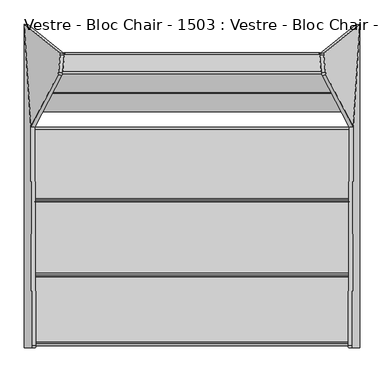
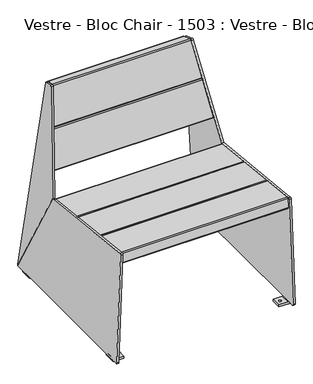
"""IFC4 building model written with IfcOpenShell, lengths in millimetres: furniture geometry, Vestre - Bloc Chair - 1503 : Vestre - Bloc Chair - 1503."""

from ifc_helpers import new_model, si_unit, point, frame, frame_2d, origin, place, context, project, spatial, polyline, circle_curve, ellipse_curve, trimmed, segment, composite_curve, outline, extrude, source, transform, mapped, element, save
from ifc_brep_helpers import plane_surface, cylinder_surface, revolved_surface, advanced_brep


def vestre_bloc_chair_1503_vestre_bloc_chair_1503_565fc78e(model_context):
    return source(origin(), model_context, "Body", "SolidModel", [
        advanced_brep(
        [(277.812223, 233.1863633, 787.1699382), (334.4133773, 124.8996282, 408.9101314), (348.3011371, 336.1005897, 11.2206695), (347.6364645, 337.9713039, 14.8944279), (272.9792097, 277.1577, 774.9426086), (272.9882182, 274.3357333, 778.4787482), (276.8301563, 238.1221055, 789.8133119), (269.9360053, 232.080936, 786.3078325), (268.9539386, 237.0166783, 788.9512062), (265.1120006, 273.230306, 777.6166426), (265.1029921, 276.0522727, 774.080503), (339.7602469, 336.8658767, 14.0323223), (340.4249195, 334.9951625, 10.3585639), (326.5371597, 123.794201, 408.0480257), (304.7208365, 204.7361248, 503.5754184), (267.0516475, 274.6488012, 758.0771287), (267.9636247, 266.3758239, 760.3532344), (305.6328137, 196.4631475, 505.8515241), (258.0066091, 204.6514703, 503.507711), (250.0753385, 206.4556344, 510.1111606), (213.9165488, 272.1297789, 749.187405), (221.8177729, 274.5668293, 758.0115669), (221.8294709, 266.2922205, 760.2863677), (213.9282468, 263.8551701, 751.4622058), (250.0870364, 198.1810256, 512.3859614), (258.0183071, 196.3768615, 505.7825119)],
        [
            (0, 1),
            (1, 2),
            (2, 3, circle_curve(frame((348.2186072, 334.025159, 14.6358678), z_axis=(0.9845272064646956, 0.13817840671662623, 0.10776320173453154), x_axis=(0.10809843818608318, 0.005098251508800461, -0.9941271224009949)), 3.9972244)),
            (3, 4),
            (4, 5, circle_curve(frame((273.5617566, 273.2088149, 774.683869), z_axis=(0.9845272064646956, 0.13817840671662623, 0.10776320173453154), x_axis=(0.10809843818608318, 0.005098251508800461, -0.9941271224009949)), 4.0)),
            (5, 6),
            (6, 0, circle_curve(frame((277.4036946, 236.9951872, 786.0184326), z_axis=(0.9845272064646956, 0.13817840671662623, 0.10776320173453154), x_axis=(0.10809843818608318, 0.005098251508800461, -0.9941271224009949)), 4.0)),
            (7, 8, circle_curve(frame((269.527477, 235.8897599, 785.156327), z_axis=(-0.9845272064646956, -0.13817840671662623, -0.10776320173453154), x_axis=(0.10809843818608318, 0.005098251508800461, -0.9941271224009949)), 4.0)),
            (8, 9),
            (9, 10, circle_curve(frame((265.6855389, 272.1033877, 773.8217633), z_axis=(-0.9845272064646956, -0.13817840671662623, -0.10776320173453154), x_axis=(0.10809843818608318, 0.005098251508800461, -0.9941271224009949)), 4.0)),
            (10, 11),
            (11, 12, circle_curve(frame((340.3423895, 332.9197317, 13.7737622), z_axis=(-0.9845272064646956, -0.13817840671662623, -0.10776320173453154), x_axis=(0.10809843818608318, 0.005098251508800461, -0.9941271224009949)), 3.9972244)),
            (12, 13),
            (13, 7),
            (14, 15),
            (15, 16),
            (16, 17),
            (17, 14),
            (6, 8),
            (7, 0),
            (5, 9),
            (4, 10),
            (3, 11),
            (2, 12),
            (1, 13),
            (18, 19, circle_curve(frame((257.9915858, 206.7720776, 511.2215168), z_axis=(-0.0013631459484884298, 0.9642258427672697, -0.2650786033856215), x_axis=(-0.14431455675225055, 0.26211427827888567, 0.9541852093968657)), 8.0)),
            (19, 20),
            (20, 21, circle_curve(frame((221.8327962, 272.446222, 750.2977612), z_axis=(-0.0013631459484884298, 0.9642258427672697, -0.2650786033856215), x_axis=(-0.14431455675225055, 0.26211427827888567, 0.9541852093968657)), 8.0)),
            (21, 15),
            (14, 18),
            (22, 23, circle_curve(frame((221.8444942, 264.1716132, 752.572562), z_axis=(0.0013631459484884298, -0.9642258427672697, 0.2650786033856215), x_axis=(-0.14431455675225055, 0.26211427827888567, 0.9541852093968657)), 8.0)),
            (23, 24),
            (24, 25, circle_curve(frame((258.0032838, 198.4974688, 513.4963176), z_axis=(0.0013631459484884298, -0.9642258427672697, 0.2650786033856215), x_axis=(-0.14431455675225055, 0.26211427827888567, 0.9541852093968657)), 8.0)),
            (25, 17),
            (16, 22),
            (20, 23),
            (22, 21),
            (19, 24),
            (18, 25),
        ],
        [
            plane_surface(frame((334.1389557, 125.4246391, 410.7440634), z_axis=(0.9845272064646957, 0.13817840671662623, 0.10776320173453155), x_axis=(0.14239106626947698, -0.27241606364865883, -0.9515851367653928))),
            plane_surface(frame((326.2627381, 124.3192118, 409.8819577), z_axis=(-0.9845272064646957, -0.13817840671662623, -0.10776320173453155), x_axis=(-0.14239106626947698, 0.27241606364865883, 0.9515851367653928))),
            cylinder_surface(frame((269.527477, 235.8897599, 785.156327), z_axis=(0.9845272064646956, 0.13817840671662623, 0.10776320173453154), x_axis=(0.10809843818608318, 0.005098251508800461, -0.9941271224009949)), 4.0),
            plane_surface(frame((272.9882182, 274.3357333, 778.4787482), z_axis=(-0.14338459124458777, 0.2817295884036646, 0.9487198206064446), x_axis=(-0.9845272064646944, -0.13817840671663073, -0.10776320173453648))),
            cylinder_surface(frame((265.6855389, 272.1033877, 773.8217633), z_axis=(0.9845272064646956, 0.13817840671662623, 0.10776320173453154), x_axis=(0.10809843818608318, 0.005098251508800461, -0.9941271224009949)), 4.0),
            plane_surface(frame((347.6364645, 337.9713039, 14.8944279), z_axis=(-0.1456367196942421, 0.9872212562883769, 0.06468490557386648), x_axis=(-0.9845272064646954, -0.13817840671663084, -0.10776320173452812))),
            cylinder_surface(frame((340.3423895, 332.9197317, 13.7737622), z_axis=(0.9845272064646956, 0.13817840671662623, 0.10776320173453154), x_axis=(0.10809843818608318, 0.005098251508800461, -0.9941271224009949)), 3.9972244),
            plane_surface(frame((334.4133773, 124.8996282, 408.9101314), z_axis=(0.17249891043919782, -0.8724250405319157, -0.4572949535586141), x_axis=(-0.9845272064646959, -0.1381784067166267, -0.10776320173452819))),
            plane_surface(frame((277.812223, 233.1863633, 787.1699382), z_axis=(0.10213209083077078, -0.9522059736125497, 0.287876396807921), x_axis=(-0.9845272064646969, -0.13817840671662626, -0.10776320173451938))),
            plane_surface(frame((270.8123981, 274.6556164, 758.0825795), z_axis=(-0.00136314594848843, 0.9642258427672699, -0.26507860338562156), x_axis=(0.9999973076401405, 0.0018121741131798574, 0.001449392098063703))),
            plane_surface(frame((270.8240961, 266.3810076, 760.3573804), z_axis=(0.00136314594848843, -0.9642258427672699, 0.26507860338562156), x_axis=(-0.9999973076401405, -0.0018121741131798574, -0.001449392098063703))),
            cylinder_surface(frame((221.8444942, 264.1716132, 752.572562), z_axis=(-0.0013631459484884298, 0.9642258427672697, -0.2650786033856215), x_axis=(-0.14431455675225055, 0.26211427827888567, 0.9541852093968657)), 8.0),
            plane_surface(frame((250.0753385, 206.4556344, 510.1111606), z_axis=(-0.9895309245003534, -0.0395553948543967, -0.13879452509154894), x_axis=(0.0013631459484865413, -0.9642258427672704, 0.2650786033856188))),
            cylinder_surface(frame((258.0032838, 198.4974688, 513.4963176), z_axis=(-0.0013631459484884298, 0.9642258427672697, -0.2650786033856215), x_axis=(-0.14431455675225055, 0.26211427827888567, 0.9541852093968657)), 8.0),
            plane_surface(frame((308.4196267, 204.7428277, 503.5807795), z_axis=(0.0018779099002744284, -0.26507591396566116, -0.964225716982116), x_axis=(0.0013631459484865413, -0.9642258427672704, 0.2650786033856188))),
            plane_surface(frame((221.8177729, 274.5668293, 758.0115669), z_axis=(-0.0018779099002689853, 0.26507591396566116, 0.9642257169821161), x_axis=(0.0013631459484865413, -0.9642258427672704, 0.2650786033856188))),
        ],
        [
            (0, [[1, 2, 3, 4, 5, 6, 7]]),
            (1, [[8, 9, 10, 11, 12, 13, 14], [15, 16, 17, 18]]),
            (2, [[-7, 19, -8, 20]]),
            (3, [[-6, 21, -9, -19]]),
            (4, [[-5, 22, -10, -21]]),
            (5, [[-4, 23, -11, -22]]),
            (6, [[-3, 24, -12, -23]]),
            (7, [[-2, 25, -13, -24]]),
            (8, [[-1, -20, -14, -25]]),
            (9, [[26, 27, 28, 29, -15, 30]]),
            (10, [[31, 32, 33, 34, -17, 35]]),
            (11, [[-28, 36, -31, 37]]),
            (12, [[-27, 38, -32, -36]]),
            (13, [[-26, 39, -33, -38]]),
            (14, [[-39, -30, -18, -34]]),
            (15, [[-37, -35, -16, -29]]),
        ],
    ),
        advanced_brep(
        [(-286.2389029, 235.3959136, 633.1135675), (-285.2426333, 240.3126213, 635.9111054), (285.2426333, 240.3126213, 635.9111054), (286.2389029, 235.3959136, 633.1135675), (-264.6903678, 278.4569523, 774.7668691), (264.6903678, 278.4569523, 774.7668691), (-264.5448362, 275.659435, 779.6835409), (264.5448362, 275.659435, 779.6835409), (-268.4794482, 239.9813274, 789.4847667), (268.4794482, 239.9813274, 789.4847667), (-269.4757178, 235.0646195, 786.687229), (269.4757178, 235.0646195, 786.687229), (-290.0279845, 196.9202802, 647.8314655), (290.0279845, 196.9202802, 647.8314655), (-290.1735161, 199.7177976, 642.9147935), (290.1735161, 199.7177976, 642.9147935)],
        [
            (0, 1, ellipse_curve(frame((-285.6680023, 236.4555087, 636.9706724), z_axis=(0.9845272064646965, -0.13817840671662357, -0.10776320173452719), x_axis=(0.17523178858534993, 0.7763454442639467, 0.6054598016712543)), 4.0628639, 4.0)),
            (1, 2),
            (2, 3, ellipse_curve(frame((285.6680023, 236.4555087, 636.9706724), z_axis=(-0.9845272064646964, -0.13817840671662365, -0.10776320173452711), x_axis=(0.17523178858535113, -0.7763454442639469, -0.6054598016712536)), 4.0628639, 4.0)),
            (3, 0),
            (1, 4),
            (4, 5),
            (5, 2),
            (4, 6, ellipse_curve(frame((-265.1157368, 274.5998397, 775.8264361), z_axis=(0.9845272064646965, -0.13817840671662357, -0.10776320173452719), x_axis=(0.17523178858534993, 0.7763454442639467, 0.6054598016712543)), 4.0628639, 4.0)),
            (6, 7),
            (7, 5, ellipse_curve(frame((265.1157368, 274.5998397, 775.8264361), z_axis=(-0.9845272064646964, -0.13817840671662365, -0.10776320173452711), x_axis=(0.17523178858535113, -0.7763454442639469, -0.6054598016712536)), 4.0628639, 4.0)),
            (6, 8),
            (8, 9),
            (9, 7),
            (8, 10, ellipse_curve(frame((-269.0503488, 238.921732, 785.6276619), z_axis=(0.9845272064646965, -0.13817840671662357, -0.10776320173452719), x_axis=(0.17523178858534993, 0.7763454442639467, 0.6054598016712543)), 4.0628639, 4.0)),
            (10, 11),
            (11, 9, ellipse_curve(frame((269.0503488, 238.921732, 785.6276619), z_axis=(-0.9845272064646964, -0.13817840671662365, -0.10776320173452711), x_axis=(0.17523178858535113, -0.7763454442639469, -0.6054598016712536)), 4.0628639, 4.0)),
            (10, 12),
            (12, 13),
            (13, 11),
            (12, 14, ellipse_curve(frame((-289.6026155, 200.7773927, 646.7718984), z_axis=(0.9845272064646965, -0.13817840671662357, -0.10776320173452719), x_axis=(0.17523178858534993, 0.7763454442639467, 0.6054598016712543)), 4.0628639, 4.0)),
            (14, 15),
            (15, 13, ellipse_curve(frame((289.6026155, 200.7773927, 646.7718984), z_axis=(-0.9845272064646964, -0.13817840671662365, -0.10776320173452711), x_axis=(0.17523178858535113, -0.7763454442639469, -0.6054598016712536)), 4.0628639, 4.0)),
            (14, 0),
            (3, 15),
        ],
        [
            cylinder_surface(frame((-292.5949679, 236.4555087, 636.9706724), z_axis=(1.0, 0.0, 0.0), x_axis=(0.0, -1.0, 0.0)), 4.0),
            plane_surface(frame((291.5493151, 240.3126213, 635.9111054), z_axis=(0.0, 0.9642781573688652, -0.2648917424558682), x_axis=(-1.0, 0.0, 0.0))),
            cylinder_surface(frame((-292.5949679, 274.5998397, 775.8264361), z_axis=(1.0, 0.0, 0.0), x_axis=(0.0, -1.0, 0.0)), 4.0),
            plane_surface(frame((291.5493151, 275.659435, 779.6835409), z_axis=(0.0, 0.26489882655000385, 0.9642762113069216), x_axis=(-1.0, 0.0, 0.0))),
            cylinder_surface(frame((-292.5949679, 238.921732, 785.6276619), z_axis=(1.0, 0.0, 0.0), x_axis=(0.0, -1.0, 0.0)), 4.0),
            plane_surface(frame((291.5493151, 235.0646195, 786.687229), z_axis=(0.0, -0.9642781425237718, 0.2648917964960497), x_axis=(-1.0, 0.0, 0.0))),
            cylinder_surface(frame((-292.5949679, 200.7773927, 646.7718984), z_axis=(1.0, 0.0, 0.0), x_axis=(0.0, -1.0, 0.0)), 4.0),
            plane_surface(frame((291.5493151, 199.7177976, 642.9147935), z_axis=(0.0, -0.2648987750760463, -0.9642762254474649), x_axis=(-1.0, 0.0, 0.0))),
            plane_surface(frame((-259.754826, 301.2991797, 790.568855), z_axis=(-0.9845272064646965, 0.13817840671662357, 0.10776320173452719), x_axis=(-0.1021320908307662, -0.9522059736125505, 0.28787639680791977))),
            plane_surface(frame((307.4464437, 210.0577619, 471.8505833), z_axis=(0.9845272064646966, 0.13817840671662368, 0.10776320173452714), x_axis=(0.10213209083076619, -0.9522059736125503, 0.28787639680792065))),
        ],
        [
            (0, [[1, 2, 3, 4]]),
            (1, [[5, 6, 7, -2]]),
            (2, [[8, 9, 10, -6]]),
            (3, [[11, 12, 13, -9]]),
            (4, [[14, 15, 16, -12]]),
            (5, [[17, 18, 19, -15]]),
            (6, [[20, 21, 22, -18]]),
            (7, [[23, -4, 24, -21]]),
            (8, [[-1, -23, -20, -17, -14, -11, -8, -5]]),
            (9, [[-3, -7, -10, -13, -16, -19, -22, -24]]),
        ],
    ),
        advanced_brep(
        [(-307.9329574, 195.1325032, 486.5435624), (-306.9366879, 200.049211, 489.3411004), (306.9366879, 200.049211, 489.3411004), (307.9329574, 195.1325032, 486.5435624), (-286.3844223, 238.193542, 628.1968641), (286.3844223, 238.193542, 628.1968641), (-286.2388907, 235.3960246, 633.1135359), (286.2388907, 235.3960246, 633.1135359), (-290.1735027, 199.7179173, 642.9147616), (290.1735027, 199.7179173, 642.9147616), (-291.1697723, 194.8012094, 640.1172239), (291.1697723, 194.8012094, 640.1172239), (-311.722039, 156.6568701, 501.2614604), (311.722039, 156.6568701, 501.2614604), (-311.8675706, 159.4543876, 496.3447884), (311.8675706, 159.4543876, 496.3447884)],
        [
            (0, 1, ellipse_curve(frame((-307.3620568, 196.1920983, 490.4006673), z_axis=(0.9845272064646965, -0.13817840671662357, -0.10776320173452719), x_axis=(0.17523178858534993, 0.7763454442639467, 0.6054598016712543)), 4.0628639, 4.0)),
            (1, 2),
            (2, 3, ellipse_curve(frame((307.3620568, 196.1920983, 490.4006673), z_axis=(-0.9845272064646964, -0.13817840671662365, -0.10776320173452711), x_axis=(0.17523178858535113, -0.7763454442639469, -0.6054598016712536)), 4.0628639, 4.0)),
            (3, 0),
            (1, 4),
            (4, 5),
            (5, 2),
            (4, 6, ellipse_curve(frame((-286.8097913, 234.3364293, 629.2564311), z_axis=(0.9845272064646965, -0.13817840671662357, -0.10776320173452719), x_axis=(0.17523178858534993, 0.7763454442639467, 0.6054598016712543)), 4.0628639, 4.0)),
            (6, 7),
            (7, 5, ellipse_curve(frame((286.8097913, 234.3364293, 629.2564311), z_axis=(-0.9845272064646964, -0.13817840671662365, -0.10776320173452711), x_axis=(0.17523178858535113, -0.7763454442639469, -0.6054598016712536)), 4.0628639, 4.0)),
            (6, 8),
            (8, 9),
            (9, 7),
            (8, 10, ellipse_curve(frame((-290.7444033, 198.658322, 639.0576568), z_axis=(0.9845272064646965, -0.13817840671662357, -0.10776320173452719), x_axis=(0.17523178858534993, 0.7763454442639467, 0.6054598016712543)), 4.0628639, 4.0)),
            (10, 11),
            (11, 9, ellipse_curve(frame((290.7444033, 198.658322, 639.0576568), z_axis=(-0.9845272064646964, -0.13817840671662365, -0.10776320173452711), x_axis=(0.17523178858535113, -0.7763454442639469, -0.6054598016712536)), 4.0628639, 4.0)),
            (10, 12),
            (12, 13),
            (13, 11),
            (12, 14, ellipse_curve(frame((-311.29667, 160.5139827, 500.2018933), z_axis=(0.9845272064646965, -0.13817840671662357, -0.10776320173452719), x_axis=(0.17523178858534993, 0.7763454442639467, 0.6054598016712543)), 4.0628639, 4.0)),
            (14, 15),
            (15, 13, ellipse_curve(frame((311.29667, 160.5139827, 500.2018933), z_axis=(-0.9845272064646964, -0.13817840671662365, -0.10776320173452711), x_axis=(0.17523178858535113, -0.7763454442639469, -0.6054598016712536)), 4.0628639, 4.0)),
            (14, 0),
            (3, 15),
        ],
        [
            cylinder_surface(frame((-316.3937747, 196.1920983, 490.4006673), z_axis=(1.0, 0.0, 0.0), x_axis=(0.0, -1.0, 0.0)), 4.0),
            plane_surface(frame((315.586121, 200.049211, 489.3411004), z_axis=(0.0, 0.9642781573688652, -0.2648917424558684), x_axis=(-1.0, 0.0, 0.0))),
            cylinder_surface(frame((-316.3937747, 234.3364293, 629.2564311), z_axis=(1.0, 0.0, 0.0), x_axis=(0.0, -1.0, 0.0)), 4.0),
            plane_surface(frame((315.586121, 235.3960246, 633.1135359), z_axis=(0.0, 0.26489882655000724, 0.9642762113069208), x_axis=(-1.0, 0.0, 0.0))),
            cylinder_surface(frame((-316.3937747, 198.658322, 639.0576568), z_axis=(1.0, 0.0, 0.0), x_axis=(0.0, -1.0, 0.0)), 4.0),
            plane_surface(frame((315.586121, 194.8012094, 640.1172239), z_axis=(0.0, -0.9642781425237719, 0.26489179649604944), x_axis=(-1.0, 0.0, 0.0))),
            cylinder_surface(frame((-316.3937747, 160.5139827, 500.2018933), z_axis=(1.0, 0.0, 0.0), x_axis=(0.0, -1.0, 0.0)), 4.0),
            plane_surface(frame((315.586121, 159.4543876, 496.3447884), z_axis=(0.0, -0.2648987750760446, -0.9642762254474654), x_axis=(-1.0, 0.0, 0.0))),
            plane_surface(frame((-259.754826, 301.2991797, 790.568855), z_axis=(-0.9845272064646965, 0.13817840671662357, 0.10776320173452719), x_axis=(-0.1021320908307662, -0.9522059736125505, 0.28787639680791977))),
            plane_surface(frame((307.4464437, 210.0577619, 471.8505833), z_axis=(0.9845272064646966, 0.13817840671662368, 0.10776320173452714), x_axis=(0.10213209083076619, -0.9522059736125503, 0.28787639680792065))),
        ],
        [
            (0, [[1, 2, 3, 4]]),
            (1, [[5, 6, 7, -2]]),
            (2, [[8, 9, 10, -6]]),
            (3, [[11, 12, 13, -9]]),
            (4, [[14, 15, 16, -12]]),
            (5, [[17, 18, 19, -15]]),
            (6, [[20, 21, 22, -18]]),
            (7, [[23, -4, 24, -21]]),
            (8, [[-1, -23, -20, -17, -14, -11, -8, -5]]),
            (9, [[-3, -7, -10, -13, -16, -19, -22, -24]]),
        ],
    ),
        advanced_brep(
        [(339.2271593, -303.3438949, 8.0), (302.5834716, -303.3438949, 8.0), (302.5834716, -303.3438949, 0.0), (340.2871278, -303.3438949, 0.0), (348.2247269, -303.3438949, 8.2703475), (348.2247269, -303.3438949, 10.2731042), (340.2296003, -303.3438949, 9.9939083), (340.2618144, -303.3438949, 9.0714168), (339.2271593, -263.3438949, 8.0), (340.2618144, -263.3438949, 9.0714168), (340.2296003, -263.3438949, 9.9939083), (348.2247269, -263.3438949, 10.2731042), (348.2247269, -263.3438949, 8.2703475), (340.2871278, -263.3438949, 0.0), (302.5834716, -263.3438949, 0.0), (302.5834716, -263.3438949, 8.0), (340.2296003, -329.3438949, 9.9939083), (340.0900023, -333.3438949, 13.9914716), (324.7188298, -333.3438949, 454.1642618), (324.5800563, -328.9097929, 458.1382142), (326.3092725, 124.9540587, 408.6199423), (340.1918549, 336.0793859, 11.0747965), (340.2296003, 333.3438949, 9.9939083), (340.2296003, 303.3438949, 9.9939083), (340.2618144, 303.3438949, 9.0714168), (340.2618144, 263.3438949, 9.0714168), (340.2296003, 263.3438949, 9.9939083), (313.0057068, -283.459021, 0.0), (321.9161822, -283.459021, 0.0), (321.9161822, -283.459021, 8.0), (313.0057068, -283.459021, 8.0), (339.2271593, 303.3438949, 8.0), (348.2247269, 303.3438949, 10.2731042), (348.2247269, 303.3438949, 8.2703475), (340.2871278, 303.3438949, 0.0), (302.5834716, 303.3438949, 0.0), (302.5834716, 303.3438949, 8.0), (339.2271593, 263.3438949, 8.0), (302.5834716, 263.3438949, 8.0), (302.5834716, 263.3438949, 0.0), (340.2871278, 263.3438949, 0.0), (348.2247269, 263.3438949, 8.2703475), (348.2247269, 263.3438949, 10.2731042), (321.9161822, 283.459021, 0.0), (313.0057068, 283.459021, 0.0), (313.0057068, 283.459021, 8.0), (321.9161822, 283.459021, 8.0), (334.3043991, 124.9540587, 408.8991383), (332.5751829, -328.9097929, 458.4174101), (332.7139564, -333.3438949, 454.4434578), (348.0851289, -333.3438949, 14.2706676), (348.2247269, -329.3438949, 10.2731042), (348.2247269, 333.3438949, 10.2731042), (348.1869815, 336.0793859, 11.3539925)],
        [
            (0, 1),
            (1, 2),
            (2, 3),
            (3, 4, circle_curve(frame((339.9474049, -303.3438949, 8.2703475), z_axis=(0.0, -1.0, 0.0), x_axis=(-1.0, 0.0, 0.0)), 8.277322)),
            (4, 5),
            (5, 6),
            (6, 7),
            (7, 0, circle_curve(frame((339.2271593, -303.3438949, 9.0352858), z_axis=(0.0, 1.0, 0.0), x_axis=(-1.0, 0.0, 0.0)), 1.0352858)),
            (8, 9, circle_curve(frame((339.2271593, -263.3438949, 9.0352858), z_axis=(0.0, -1.0, 0.0), x_axis=(-1.0, 0.0, 0.0)), 1.0352858)),
            (9, 10),
            (10, 11),
            (11, 12),
            (12, 13, circle_curve(frame((339.9474049, -263.3438949, 8.2703475), z_axis=(0.0, 1.0, 0.0), x_axis=(-1.0, 0.0, 0.0)), 8.277322)),
            (13, 14),
            (14, 15),
            (15, 8),
            (7, 9),
            (8, 0),
            (6, 16),
            (16, 17, circle_curve(frame((340.0900023, -329.3438949, 13.9914716), z_axis=(-0.9993908270190959, 0.0, -0.0348994967025008), x_axis=(0.0348994967025008, 0.0, -0.9993908270190959)), 4.0)),
            (17, 18),
            (18, 19, circle_curve(frame((324.7188298, -329.3438949, 454.1642618), z_axis=(-0.9993908270190959, 0.0, -0.0348994967025008), x_axis=(0.0348994967025008, 0.0, -0.9993908270190959)), 4.0)),
            (19, 20),
            (20, 21),
            (21, 22, circle_curve(frame((340.0899978, 333.3438949, 13.9916002), z_axis=(-0.9993908270190959, 0.0, -0.0348994967025008), x_axis=(0.0348994967025008, 0.0, -0.9993908270190959)), 4.0001287)),
            (22, 23),
            (23, 24),
            (24, 25),
            (25, 26),
            (26, 10),
            (2, 14),
            (13, 3),
            (27, 28, circle_curve(frame((317.4609445, -283.459021, 0.0), z_axis=(0.0, 0.0, 1.0), x_axis=(-1.0, 0.0, 0.0)), 4.4552377)),
            (28, 27, circle_curve(frame((317.4609445, -283.459021, 0.0), z_axis=(0.0, 0.0, 1.0), x_axis=(-1.0, 0.0, 0.0)), 4.4552377)),
            (1, 15),
            (29, 30, circle_curve(frame((317.4609445, -283.459021, 8.0), z_axis=(0.0, 0.0, -1.0), x_axis=(-1.0, 0.0, 0.0)), 4.4552377)),
            (30, 29, circle_curve(frame((317.4609445, -283.459021, 8.0), z_axis=(0.0, 0.0, -1.0), x_axis=(-1.0, 0.0, 0.0)), 4.4552377)),
            (4, 12),
            (11, 5),
            (29, 28),
            (27, 30),
            (31, 24, circle_curve(frame((339.2271593, 303.3438949, 9.0352858), z_axis=(0.0, -1.0, 0.0), x_axis=(-1.0, 0.0, 0.0)), 1.0352858)),
            (23, 32),
            (32, 33),
            (33, 34, circle_curve(frame((339.9474049, 303.3438949, 8.2703475), z_axis=(0.0, 1.0, 0.0), x_axis=(-1.0, 0.0, 0.0)), 8.277322)),
            (34, 35),
            (35, 36),
            (36, 31),
            (37, 38),
            (38, 39),
            (39, 40),
            (40, 41, circle_curve(frame((339.9474049, 263.3438949, 8.2703475), z_axis=(0.0, -1.0, 0.0), x_axis=(-1.0, 0.0, 0.0)), 8.277322)),
            (41, 42),
            (42, 26),
            (25, 37, circle_curve(frame((339.2271593, 263.3438949, 9.0352858), z_axis=(0.0, 1.0, 0.0), x_axis=(-1.0, 0.0, 0.0)), 1.0352858)),
            (31, 37),
            (34, 40),
            (39, 35),
            (43, 44, circle_curve(frame((317.4609445, 283.459021, 0.0), z_axis=(0.0, 0.0, 1.0), x_axis=(-1.0, 0.0, 0.0)), 4.4552377)),
            (44, 43, circle_curve(frame((317.4609445, 283.459021, 0.0), z_axis=(0.0, 0.0, 1.0), x_axis=(-1.0, 0.0, 0.0)), 4.4552377)),
            (38, 36),
            (45, 46, circle_curve(frame((317.4609445, 283.459021, 8.0), z_axis=(0.0, 0.0, -1.0), x_axis=(-1.0, 0.0, 0.0)), 4.4552377)),
            (46, 45, circle_curve(frame((317.4609445, 283.459021, 8.0), z_axis=(0.0, 0.0, -1.0), x_axis=(-1.0, 0.0, 0.0)), 4.4552377)),
            (32, 42),
            (41, 33),
            (45, 44),
            (43, 46),
            (47, 48),
            (48, 49, circle_curve(frame((332.7139564, -329.3438949, 454.4434578), z_axis=(0.9993908270190959, 0.0, 0.0348994967025008), x_axis=(0.0348994967025008, 0.0, -0.9993908270190959)), 4.0)),
            (49, 50),
            (50, 51, circle_curve(frame((348.0851289, -329.3438949, 14.2706676), z_axis=(0.9993908270190959, 0.0, 0.0348994967025008), x_axis=(0.0348994967025008, 0.0, -0.9993908270190959)), 4.0)),
            (51, 5),
            (11, 42),
            (32, 52),
            (52, 53, circle_curve(frame((348.0851244, 333.3438949, 14.2707962), z_axis=(0.9993908270190959, 0.0, 0.0348994967025008), x_axis=(0.0348994967025008, 0.0, -0.9993908270190959)), 4.0001287)),
            (53, 47),
            (53, 21),
            (20, 47),
            (52, 22),
            (51, 16),
            (50, 17),
            (49, 18),
            (48, 19),
        ],
        [
            plane_surface(frame((302.5834716, -303.3438949, 8.0), z_axis=(0.0, -1.0, 0.0), x_axis=(-1.0, 0.0, 0.0))),
            plane_surface(frame((302.5834716, -263.3438949, 8.0), z_axis=(0.0, 1.0, 0.0), x_axis=(1.0, 0.0, 0.0))),
            revolved_surface(polyline([(338.1918735, -263.3438949, 9.0352858), (338.1918735, -303.3438949, 9.0352858)]), (339.2271593, -263.3438949, 9.0352858), (0.0, 1.0, 0.0)),
            plane_surface(frame((340.2296003, -303.3438949, 9.9939083), z_axis=(-0.9993908270190954, 0.0, -0.03489949670251134), x_axis=(0.0, 1.0, 0.0))),
            plane_surface(frame((302.5834716, -303.3438949, 0.0), z_axis=(0.0, 0.0, -1.0), x_axis=(0.0, 1.0, 0.0))),
            plane_surface(frame((302.5834716, -303.3438949, 8.0), z_axis=(-1.0, 0.0, 0.0), x_axis=(0.0, 1.0, 0.0))),
            plane_surface(frame((339.2271593, -303.3438949, 8.0), z_axis=(0.0, 0.0, 1.0), x_axis=(0.0, 1.0, 0.0))),
            plane_surface(frame((348.2247269, -303.3438949, 8.2703475), z_axis=(1.0, 0.0, 0.0), x_axis=(0.0, 1.0, 0.0))),
            cylinder_surface(frame((339.9474049, -263.3438949, 8.2703475), z_axis=(0.0, -1.0, 0.0), x_axis=(-1.0, 0.0, 0.0)), 8.277322),
            revolved_surface(polyline([(313.0057068, -283.459021, 8.0), (313.0057068, -283.459021, 0.0)]), (317.4609445, -283.459021, 0.0), (0.0, 0.0, 1.0)),
            plane_surface(frame((338.1918735, 303.3438949, 9.0352858), z_axis=(0.0, 1.0, 0.0), x_axis=(0.0, 0.0, -1.0))),
            plane_surface(frame((338.1918735, 263.3438949, 9.0352858), z_axis=(0.0, -1.0, 0.0), x_axis=(0.0, 0.0, 1.0))),
            revolved_surface(polyline([(338.1918735, 263.3438949, 9.0352858), (338.1918735, 303.3438949, 9.0352858)]), (339.2271593, 263.3438949, 9.0352858), (0.0, -1.0, 0.0)),
            plane_surface(frame((340.2871278, 303.3438949, 0.0), z_axis=(0.0, 0.0, -1.0), x_axis=(0.0, -1.0, 0.0))),
            plane_surface(frame((302.5834716, 303.3438949, 0.0), z_axis=(-1.0, 0.0, 0.0), x_axis=(0.0, -1.0, 0.0))),
            plane_surface(frame((302.5834716, 303.3438949, 8.0), z_axis=(0.0, 0.0, 1.0), x_axis=(0.0, -1.0, 0.0))),
            plane_surface(frame((348.2247269, 303.3438949, 10.2731042), z_axis=(1.0, 0.0, 0.0), x_axis=(0.0, -1.0, 0.0))),
            cylinder_surface(frame((339.9474049, 263.3438949, 8.2703475), z_axis=(0.0, 1.0, 0.0), x_axis=(-1.0, 0.0, 0.0)), 8.277322),
            revolved_surface(polyline([(313.0057068, 283.459021, 8.0), (313.0057068, 283.459021, 0.0)]), (317.4609445, 283.459021, 0.0), (0.0, 0.0, 1.0)),
            plane_surface(frame((332.5747314, -329.0282995, 458.4303396), z_axis=(0.9993908270190958, 0.0, 0.0348994967025008), x_axis=(-0.0037874856514230216, -0.9940936645240769, 0.10845939841955879))),
            plane_surface(frame((348.1869815, 336.0793859, 11.3539925), z_axis=(-0.016361236819827492, 0.883298976901068, 0.46852452159439023), x_axis=(-0.9993908270190959, 0.0, -0.03489949670249758))),
            cylinder_surface(frame((340.0899978, 333.3438949, 13.9916002), z_axis=(0.9993908270190959, 0.0, 0.0348994967025008), x_axis=(0.0348994967025008, 0.0, -0.9993908270190959)), 4.0001287),
            plane_surface(frame((348.2247269, -329.3438949, 10.2731042), z_axis=(0.034899496702506035, 0.0, -0.9993908270190955), x_axis=(-0.9993908270190955, 0.0, -0.034899496702506035))),
            cylinder_surface(frame((340.0900023, -329.3438949, 13.9914716), z_axis=(0.9993908270190959, 0.0, 0.0348994967025008), x_axis=(0.0348994967025008, 0.0, -0.9993908270190959)), 4.0),
            plane_surface(frame((332.7139564, -333.3438949, 454.4434578), z_axis=(0.0, -1.0, 0.0), x_axis=(-0.9993908270190959, 0.0, -0.03489949670249758))),
            cylinder_surface(frame((324.7188298, -329.3438949, 454.1642618), z_axis=(0.9993908270190959, 0.0, 0.0348994967025008), x_axis=(0.0348994967025008, 0.0, -0.9993908270190959)), 4.0),
            plane_surface(frame((334.3043991, 124.9540587, 408.8991383), z_axis=(-0.03469336856704016, 0.10852550922751907, 0.9934880895231604), x_axis=(-0.9993908270190955, 0.0, -0.034899496702506035))),
        ],
        [
            (0, [[1, 2, 3, 4, 5, 6, 7, 8]]),
            (1, [[9, 10, 11, 12, 13, 14, 15, 16]]),
            (2, [[-8, 17, -9, 18]]),
            (3, [[-7, 19, 20, 21, 22, 23, 24, 25, 26, 27, 28, 29, 30, -10, -17]]),
            (4, [[-3, 31, -14, 32], [33, 34]]),
            (5, [[-2, 35, -15, -31]]),
            (6, [[-1, -18, -16, -35], [36, 37]]),
            (7, [[-5, 38, -12, 39]]),
            (8, [[-4, -32, -13, -38]]),
            (9, [[40, -33, 41, -36]]),
            (9, [[-40, -37, -41, -34]]),
            (10, [[42, -27, 43, 44, 45, 46, 47, 48]]),
            (11, [[49, 50, 51, 52, 53, 54, -29, 55]]),
            (12, [[-42, 56, -55, -28]]),
            (13, [[-46, 57, -51, 58], [59, 60]]),
            (14, [[-47, -58, -50, 61]]),
            (15, [[-48, -61, -49, -56], [62, 63]]),
            (16, [[-44, 64, -53, 65]]),
            (17, [[-45, -65, -52, -57]]),
            (18, [[66, -59, 67, -62]]),
            (18, [[-66, -63, -67, -60]]),
            (19, [[68, 69, 70, 71, 72, -39, 73, -64, 74, 75, 76]]),
            (20, [[-76, 77, -24, 78]]),
            (21, [[-75, 79, -25, -77]]),
            (22, [[-73, -11, -30, -54]]),
            (22, [[-79, -74, -43, -26]]),
            (22, [[80, -19, -6, -72]]),
            (23, [[-71, 81, -20, -80]]),
            (24, [[-70, 82, -21, -81]]),
            (25, [[-69, 83, -22, -82]]),
            (26, [[-68, -78, -23, -83]]),
        ],
    ),
        extrude(outline(polyline([(1e-07, -92.0149505), (0.0, 0.0), (419.5471296, 1e-07), (419.5471295, -92.0149504), (1e-07, -92.0149505)])), frame((237.6065921, -318.4420999, 406.7777254), z_axis=(-0.00014877148050782801, 0.10844430422337928, 0.9941025152108578), x_axis=(-0.0014115456839145818, 0.9941015130831308, -0.1084444061471704)), (0.0, 0.0, 1.0), 6.000086),
        advanced_brep(
        [(-277.812223, 233.1863633, 787.1699382), (-276.8301563, 238.1221055, 789.8133119), (-272.9882182, 274.3357333, 778.4787482), (-272.9792097, 277.1577, 774.9426086), (-347.6364645, 337.9713039, 14.8944279), (-348.3011371, 336.1005897, 11.2206695), (-334.4133773, 124.8996282, 408.9101314), (-269.9360053, 232.080936, 786.3078325), (-326.5371597, 123.794201, 408.0480257), (-340.4249195, 334.9951625, 10.3585639), (-339.7602469, 336.8658767, 14.0323223), (-265.1029921, 276.0522727, 774.080503), (-265.1120006, 273.230306, 777.6166426), (-268.9539386, 237.0166783, 788.9512062), (-267.0021552, 275.0977695, 757.9536062), (-304.6713441, 205.1850931, 503.4518959), (-305.6328137, 196.4631475, 505.8515241), (-267.9636247, 266.3758239, 760.3532344), (-221.8171381, 275.0158862, 757.8881152), (-213.915914, 272.5788357, 749.0639533), (-250.0747036, 206.9046912, 509.9877088), (-258.0059743, 205.1005271, 503.3842593), (-258.0183071, 196.3768615, 505.7825119), (-250.0870364, 198.1810256, 512.3859614), (-213.9282468, 263.8551701, 751.4622058), (-221.8294709, 266.2922205, 760.2863677)],
        [
            (0, 1, circle_curve(frame((-277.4036946, 236.9951872, 786.0184326), z_axis=(-0.9845272064646956, 0.13817840671662623, 0.10776320173453154), x_axis=(-0.10809843818608318, 0.005098251508800461, -0.9941271224009949)), 4.0)),
            (1, 2),
            (2, 3, circle_curve(frame((-273.5617566, 273.2088149, 774.683869), z_axis=(-0.9845272064646956, 0.13817840671662623, 0.10776320173453154), x_axis=(-0.10809843818608318, 0.005098251508800461, -0.9941271224009949)), 4.0)),
            (3, 4),
            (4, 5, circle_curve(frame((-348.2186072, 334.025159, 14.6358678), z_axis=(-0.9845272064646956, 0.13817840671662623, 0.10776320173453154), x_axis=(-0.10809843818608318, 0.005098251508800461, -0.9941271224009949)), 3.9972244)),
            (5, 6),
            (6, 0),
            (7, 8),
            (8, 9),
            (9, 10, circle_curve(frame((-340.3423895, 332.9197317, 13.7737622), z_axis=(0.9845272064646956, -0.13817840671662623, -0.10776320173453154), x_axis=(-0.10809843818608318, 0.005098251508800461, -0.9941271224009949)), 3.9972244)),
            (10, 11),
            (11, 12, circle_curve(frame((-265.6855389, 272.1033877, 773.8217633), z_axis=(0.9845272064646956, -0.13817840671662623, -0.10776320173453154), x_axis=(-0.10809843818608318, 0.005098251508800461, -0.9941271224009949)), 4.0)),
            (12, 13),
            (13, 7, circle_curve(frame((-269.527477, 235.8897599, 785.156327), z_axis=(0.9845272064646956, -0.13817840671662623, -0.10776320173453154), x_axis=(-0.10809843818608318, 0.005098251508800461, -0.9941271224009949)), 4.0)),
            (14, 15),
            (15, 16),
            (16, 17),
            (17, 14),
            (0, 7),
            (13, 1),
            (12, 2),
            (11, 3),
            (10, 4),
            (9, 5),
            (8, 6),
            (18, 19, circle_curve(frame((-221.8321614, 272.8952788, 750.1743095), z_axis=(0.0013631459484884298, 0.9642258427672697, -0.2650786033856215), x_axis=(0.14431455675225055, 0.26211427827888567, 0.9541852093968657)), 8.0)),
            (19, 20),
            (20, 21, circle_curve(frame((-257.990951, 207.2211344, 511.098065), z_axis=(0.0013631459484884298, 0.9642258427672697, -0.2650786033856215), x_axis=(0.14431455675225055, 0.26211427827888567, 0.9541852093968657)), 8.0)),
            (21, 15),
            (14, 18),
            (22, 23, circle_curve(frame((-258.0032838, 198.4974688, 513.4963176), z_axis=(-0.0013631459484884298, -0.9642258427672697, 0.2650786033856215), x_axis=(0.14431455675225055, 0.26211427827888567, 0.9541852093968657)), 8.0)),
            (23, 24),
            (24, 25, circle_curve(frame((-221.8444942, 264.1716132, 752.572562), z_axis=(-0.0013631459484884298, -0.9642258427672697, 0.2650786033856215), x_axis=(0.14431455675225055, 0.26211427827888567, 0.9541852093968657)), 8.0)),
            (25, 17),
            (16, 22),
            (18, 25),
            (24, 19),
            (23, 20),
            (22, 21),
        ],
        [
            plane_surface(frame((-277.8360884, 237.0155802, 782.0419241), z_axis=(-0.9845272064646957, 0.13817840671662623, 0.10776320173453155), x_axis=(-0.13791630575299016, -0.9903942324896727, 0.009917502641294942))),
            plane_surface(frame((-269.9598707, 235.9101529, 781.1798185), z_axis=(0.9845272064646957, -0.13817840671662623, -0.10776320173453155), x_axis=(0.13791630575299016, 0.9903942324896727, -0.009917502641294942))),
            cylinder_surface(frame((-269.527477, 235.8897599, 785.156327), z_axis=(-0.9845272064646956, 0.13817840671662623, 0.10776320173453154), x_axis=(-0.10809843818608318, 0.005098251508800461, -0.9941271224009949)), 4.0),
            plane_surface(frame((-276.8301563, 238.1221055, 789.8133119), z_axis=(0.143384591244586, 0.28172958840366485, 0.9487198206064448), x_axis=(0.9845272064646952, -0.13817840671662598, -0.1077632017345361))),
            cylinder_surface(frame((-265.6855389, 272.1033877, 773.8217633), z_axis=(-0.9845272064646956, 0.13817840671662623, 0.10776320173453154), x_axis=(-0.10809843818608318, 0.005098251508800461, -0.9941271224009949)), 4.0),
            plane_surface(frame((-272.9792097, 277.1577, 774.9426086), z_axis=(0.14563671969423383, 0.9872212562883781, 0.06468490557386739), x_axis=(0.9845272064646958, -0.13817840671662185, -0.10776320173453617))),
            cylinder_surface(frame((-340.3423895, 332.9197317, 13.7737622), z_axis=(-0.9845272064646956, 0.13817840671662623, 0.10776320173453154), x_axis=(-0.10809843818608318, 0.005098251508800461, -0.9941271224009949)), 3.9972244),
            plane_surface(frame((-348.3011371, 336.1005897, 11.2206695), z_axis=(-0.17249891043920382, -0.8724250405319149, -0.45729495355861344), x_axis=(0.9845272064646947, -0.13817840671662956, -0.10776320173453559))),
            plane_surface(frame((-334.4133773, 124.8996282, 408.9101314), z_axis=(-0.1021320908307664, -0.9522059736125503, 0.28787639680792054), x_axis=(0.9845272064646949, -0.13817840671662657, -0.10776320173453655))),
            plane_surface(frame((-220.6776449, 274.9921931, 757.8077911), z_axis=(0.0013631459484884298, 0.9642258427672697, -0.2650786033856216), x_axis=(0.9895309245003537, -0.03955539485439853, -0.138794525091547))),
            plane_surface(frame((-220.6899778, 266.2685275, 760.2060437), z_axis=(-0.0013631459484884298, -0.9642258427672697, 0.2650786033856216), x_axis=(-0.9895309245003537, 0.03955539485439853, 0.138794525091547))),
            cylinder_surface(frame((-221.8444942, 264.1716132, 752.572562), z_axis=(0.0013631459484884298, 0.9642258427672697, -0.2650786033856215), x_axis=(0.14431455675225055, 0.26211427827888567, 0.9541852093968657)), 8.0),
            plane_surface(frame((-213.915914, 272.5788357, 749.0639533), z_axis=(0.9895309245003534, -0.039555394854398365, -0.1387945250915485), x_axis=(-0.001363145948487987, -0.9642258427672699, 0.2650786033856207))),
            cylinder_surface(frame((-258.0032838, 198.4974688, 513.4963176), z_axis=(0.0013631459484884298, 0.9642258427672697, -0.2650786033856215), x_axis=(0.14431455675225055, 0.26211427827888567, 0.9541852093968657)), 8.0),
            plane_surface(frame((-258.0059743, 205.1005271, 503.3842593), z_axis=(-0.0018779099002744323, -0.26507591396566405, -0.9642257169821152), x_axis=(-0.001363145948487992, -0.9642258427672696, 0.26507860338562167))),
            plane_surface(frame((-269.9273771, 275.1030705, 757.957846), z_axis=(0.0018779099002689866, 0.2650759139656631, 0.9642257169821156), x_axis=(-0.001363145948487987, -0.9642258427672699, 0.2650786033856207))),
        ],
        [
            (0, [[1, 2, 3, 4, 5, 6, 7]]),
            (1, [[8, 9, 10, 11, 12, 13, 14], [15, 16, 17, 18]]),
            (2, [[-1, 19, -14, 20]]),
            (3, [[-2, -20, -13, 21]]),
            (4, [[-3, -21, -12, 22]]),
            (5, [[-4, -22, -11, 23]]),
            (6, [[-5, -23, -10, 24]]),
            (7, [[-6, -24, -9, 25]]),
            (8, [[-7, -25, -8, -19]]),
            (9, [[26, 27, 28, 29, -15, 30]]),
            (10, [[31, 32, 33, 34, -17, 35]]),
            (11, [[-26, 36, -33, 37]]),
            (12, [[-27, -37, -32, 38]]),
            (13, [[-28, -38, -31, 39]]),
            (14, [[-39, -35, -16, -29]]),
            (15, [[-36, -30, -18, -34]]),
        ],
    ),
        advanced_brep(
        [(-334.3043991, 124.9540587, 408.8991383), (-348.1869815, 336.0793859, 11.3539925), (-348.2247269, 333.3438949, 10.2731042), (-348.2247269, 303.3438949, 10.2731042), (-348.2247269, 263.3438949, 10.2731042), (-348.2247269, -263.3438949, 10.2731042), (-348.2247269, -303.3438949, 10.2731042), (-348.2247269, -329.3438949, 10.2731042), (-348.0851289, -333.3438949, 14.2706676), (-332.7139564, -333.3438949, 454.4434578), (-332.5751829, -328.9097929, 458.4174101), (-326.3092725, 124.9540587, 408.6199423), (-324.5800563, -328.9097929, 458.1382142), (-324.7188298, -333.3438949, 454.1642618), (-340.0900023, -333.3438949, 13.9914716), (-340.2296003, -329.3438949, 9.9939083), (-340.2296003, -303.3438949, 9.9939083), (-340.2618144, -303.3438949, 9.0714168), (-340.2618144, -263.3438949, 9.0714168), (-340.2296003, -263.3438949, 9.9939083), (-340.2296003, 263.3438949, 9.9939083), (-340.2618144, 263.3438949, 9.0714168), (-340.2618144, 303.3438949, 9.0714168), (-340.2296003, 303.3438949, 9.9939083), (-340.2296003, 333.3438949, 9.9939083), (-340.1918549, 336.0793859, 11.0747965), (-326.3736201, -318.3161079, 406.7772656), (-326.1653282, -317.6657271, 412.7419672), (-327.7541377, 99.4098048, 367.2444166), (-327.9624296, 98.759424, 361.279715), (-237.6065921, -318.4420999, 406.7777254), (-237.6056994, -317.7914247, 412.742426), (-237.0134895, 99.2810115, 367.2448867), (-237.0143821, 98.6303364, 361.2801861), (-339.2271593, -303.3438949, 8.0), (-348.2247269, -303.3438949, 8.2703475), (-340.2871278, -303.3438949, 0.0), (-302.5834716, -303.3438949, 0.0), (-302.5834716, -303.3438949, 8.0), (-339.2271593, -263.3438949, 8.0), (-302.5834716, -263.3438949, 8.0), (-302.5834716, -263.3438949, 0.0), (-340.2871278, -263.3438949, 0.0), (-348.2247269, -263.3438949, 8.2703475), (-321.9161822, -283.459021, 0.0), (-313.0057068, -283.459021, 0.0), (-313.0057068, -283.459021, 8.0), (-321.9161822, -283.459021, 8.0), (-321.9161822, 283.459021, 8.0), (-321.9161822, 283.459021, 0.0), (-313.0057068, 283.459021, 0.0), (-313.0057068, 283.459021, 8.0), (-339.2271593, 303.3438949, 8.0), (-302.5834716, 303.3438949, 8.0), (-302.5834716, 303.3438949, 0.0), (-340.2871278, 303.3438949, 0.0), (-348.2247269, 303.3438949, 8.2703475), (-339.2271593, 263.3438949, 8.0), (-348.2247269, 263.3438949, 8.2703475), (-340.2871278, 263.3438949, 0.0), (-302.5834716, 263.3438949, 0.0), (-302.5834716, 263.3438949, 8.0)],
        [
            (0, 1),
            (1, 2, circle_curve(frame((-348.0851244, 333.3438949, 14.2707962), z_axis=(-0.9993908270190959, 0.0, 0.0348994967025008), x_axis=(-0.0348994967025008, 0.0, -0.9993908270190959)), 4.0001287)),
            (2, 3),
            (3, 4),
            (4, 5),
            (5, 6),
            (6, 7),
            (7, 8, circle_curve(frame((-348.0851289, -329.3438949, 14.2706676), z_axis=(-0.9993908270190959, 0.0, 0.0348994967025008), x_axis=(-0.0348994967025008, 0.0, -0.9993908270190959)), 4.0)),
            (8, 9),
            (9, 10, circle_curve(frame((-332.7139564, -329.3438949, 454.4434578), z_axis=(-0.9993908270190959, 0.0, 0.0348994967025008), x_axis=(-0.0348994967025008, 0.0, -0.9993908270190959)), 4.0)),
            (10, 0),
            (11, 12),
            (12, 13, circle_curve(frame((-324.7188298, -329.3438949, 454.1642618), z_axis=(0.9993908270190959, 0.0, -0.0348994967025008), x_axis=(-0.0348994967025008, 0.0, -0.9993908270190959)), 4.0)),
            (13, 14),
            (14, 15, circle_curve(frame((-340.0900023, -329.3438949, 13.9914716), z_axis=(0.9993908270190959, 0.0, -0.0348994967025008), x_axis=(-0.0348994967025008, 0.0, -0.9993908270190959)), 4.0)),
            (15, 16),
            (16, 17),
            (17, 18),
            (18, 19),
            (19, 20),
            (20, 21),
            (21, 22),
            (22, 23),
            (23, 24),
            (24, 25, circle_curve(frame((-340.0899978, 333.3438949, 13.9916002), z_axis=(0.9993908270190959, 0.0, -0.0348994967025008), x_axis=(-0.0348994967025008, 0.0, -0.9993908270190959)), 4.0001287)),
            (25, 11),
            (26, 27),
            (27, 28),
            (28, 29),
            (29, 26),
            (0, 11),
            (25, 1),
            (24, 2),
            (23, 3),
            (15, 7),
            (6, 16),
            (19, 5),
            (4, 20),
            (14, 8),
            (13, 9),
            (12, 10),
            (30, 31),
            (31, 27),
            (26, 30),
            (32, 33),
            (33, 29),
            (28, 32),
            (30, 33),
            (32, 31),
            (34, 17, circle_curve(frame((-339.2271593, -303.3438949, 9.0352858), z_axis=(0.0, 1.0, 0.0), x_axis=(1.0, 0.0, 0.0)), 1.0352858)),
            (6, 35),
            (35, 36, circle_curve(frame((-339.9474049, -303.3438949, 8.2703475), z_axis=(0.0, -1.0, 0.0), x_axis=(1.0, 0.0, 0.0)), 8.277322)),
            (36, 37),
            (37, 38),
            (38, 34),
            (39, 40),
            (40, 41),
            (41, 42),
            (42, 43, circle_curve(frame((-339.9474049, -263.3438949, 8.2703475), z_axis=(0.0, 1.0, 0.0), x_axis=(1.0, 0.0, 0.0)), 8.277322)),
            (43, 5),
            (18, 39, circle_curve(frame((-339.2271593, -263.3438949, 9.0352858), z_axis=(0.0, -1.0, 0.0), x_axis=(1.0, 0.0, 0.0)), 1.0352858)),
            (34, 39),
            (36, 42),
            (41, 37),
            (44, 45, circle_curve(frame((-317.4609445, -283.459021, 0.0), z_axis=(0.0, 0.0, 1.0), x_axis=(1.0, 0.0, 0.0)), 4.4552377)),
            (45, 44, circle_curve(frame((-317.4609445, -283.459021, 0.0), z_axis=(0.0, 0.0, 1.0), x_axis=(1.0, 0.0, 0.0)), 4.4552377)),
            (40, 38),
            (46, 47, circle_curve(frame((-317.4609445, -283.459021, 8.0), z_axis=(0.0, 0.0, -1.0), x_axis=(1.0, 0.0, 0.0)), 4.4552377)),
            (47, 46, circle_curve(frame((-317.4609445, -283.459021, 8.0), z_axis=(0.0, 0.0, -1.0), x_axis=(1.0, 0.0, 0.0)), 4.4552377)),
            (43, 35),
            (46, 45),
            (44, 47),
            (48, 49),
            (49, 50, circle_curve(frame((-317.4609445, 283.459021, 0.0), z_axis=(0.0, 0.0, -1.0), x_axis=(1.0, 0.0, 0.0)), 4.4552377)),
            (50, 51),
            (51, 48, circle_curve(frame((-317.4609445, 283.459021, 8.0), z_axis=(0.0, 0.0, 1.0), x_axis=(1.0, 0.0, 0.0)), 4.4552377)),
            (48, 51, circle_curve(frame((-317.4609445, 283.459021, 8.0), z_axis=(0.0, 0.0, 1.0), x_axis=(1.0, 0.0, 0.0)), 4.4552377)),
            (50, 49, circle_curve(frame((-317.4609445, 283.459021, 0.0), z_axis=(0.0, 0.0, -1.0), x_axis=(1.0, 0.0, 0.0)), 4.4552377)),
            (52, 53),
            (53, 54),
            (54, 55),
            (55, 56, circle_curve(frame((-339.9474049, 303.3438949, 8.2703475), z_axis=(0.0, 1.0, 0.0), x_axis=(1.0, 0.0, 0.0)), 8.277322)),
            (56, 3),
            (22, 52, circle_curve(frame((-339.2271593, 303.3438949, 9.0352858), z_axis=(0.0, -1.0, 0.0), x_axis=(1.0, 0.0, 0.0)), 1.0352858)),
            (57, 21, circle_curve(frame((-339.2271593, 263.3438949, 9.0352858), z_axis=(0.0, 1.0, 0.0), x_axis=(1.0, 0.0, 0.0)), 1.0352858)),
            (4, 58),
            (58, 59, circle_curve(frame((-339.9474049, 263.3438949, 8.2703475), z_axis=(0.0, -1.0, 0.0), x_axis=(1.0, 0.0, 0.0)), 8.277322)),
            (59, 60),
            (60, 61),
            (61, 57),
            (57, 52),
            (54, 60),
            (59, 55),
            (53, 61),
            (56, 58),
        ],
        [
            plane_surface(frame((-334.2637056, 124.3351949, 410.0644476), z_axis=(-0.9993908270190959, 0.0, 0.0348994967025008), x_axis=(-0.030826689731681147, 0.46881010804538614, -0.8827608950302794))),
            plane_surface(frame((-326.268579, 124.3351949, 409.7852516), z_axis=(0.9993908270190959, 0.0, -0.0348994967025008), x_axis=(0.030826689731681147, -0.46881010804538614, 0.8827608950302794))),
            plane_surface(frame((-334.3043991, 124.9540587, 408.8991383), z_axis=(0.016361236819827492, 0.883298976901068, 0.46852452159439023), x_axis=(0.9993908270190959, 0.0, -0.03489949670249758))),
            cylinder_surface(frame((-340.0899978, 333.3438949, 13.9916002), z_axis=(-0.9993908270190961, 0.0, 0.03489949670250081), x_axis=(-0.0348994967025008, 0.0, -0.9993908270190959)), 4.0001287),
            plane_surface(frame((-348.2247269, 333.3438949, 10.2731042), z_axis=(-0.03489949670249758, 0.0, -0.9993908270190959), x_axis=(0.9993908270190959, 0.0, -0.03489949670249758))),
            cylinder_surface(frame((-340.0900023, -329.3438949, 13.9914716), z_axis=(-0.9993908270190959, 0.0, 0.0348994967025008), x_axis=(-0.0348994967025008, 0.0, -0.9993908270190959)), 4.0),
            plane_surface(frame((-348.0851289, -333.3438949, 14.2706676), z_axis=(0.0, -1.0, 0.0), x_axis=(0.9993908270190959, 0.0, -0.03489949670249758))),
            cylinder_surface(frame((-324.7188298, -329.3438949, 454.1642618), z_axis=(-0.9993908270190959, 0.0, 0.0348994967025008), x_axis=(-0.0348994967025008, 0.0, -0.9993908270190959)), 4.0),
            plane_surface(frame((-332.5751829, -328.9097929, 458.4174101), z_axis=(0.03469336856702336, 0.10852550922751905, 0.993488089523161), x_axis=(0.9993908270190962, 0.0, -0.03489949670248914))),
            plane_surface(frame((-237.6065921, -318.4420999, 406.7777254), z_axis=(-0.0014115456839146497, -0.9941015130831307, 0.10844440614717041), x_axis=(0.00014877148067670882, 0.10844430422337907, 0.9941025152108578))),
            plane_surface(frame((-237.0143821, 98.6303364, 361.2801861), z_axis=(0.0014115456839146497, 0.9941015130831307, -0.10844440614717041), x_axis=(-0.00014877148067670882, -0.10844430422337907, -0.9941025152108578))),
            plane_surface(frame((-237.6065921, -318.4420999, 406.7777254), z_axis=(0.9999989927024071, -0.001419354549588217, 5.180135527305281e-06), x_axis=(0.0014115456839146623, 0.9941015130831308, -0.10844440614717038))),
            plane_surface(frame((-237.6056994, -317.7914247, 412.742426), z_axis=(0.00014877148050612476, 0.1084443042233793, 0.9941025152108581), x_axis=(0.0014115456839146623, 0.9941015130831308, -0.10844440614717038))),
            plane_surface(frame((-329.6214499, -318.311498, 406.7772488), z_axis=(-0.00014877148050782823, -0.10844430422337943, -0.9941025152108579), x_axis=(0.0014115456839145814, 0.9941015130831307, -0.10844440614717052))),
            plane_surface(frame((-338.1918735, -303.3438949, 9.0352858), z_axis=(0.0, -1.0, 0.0), x_axis=(0.0, 0.0, -1.0))),
            plane_surface(frame((-338.1918735, -263.3438949, 9.0352858), z_axis=(0.0, 1.0, 0.0), x_axis=(0.0, 0.0, 1.0))),
            revolved_surface(polyline([(-338.1918735, -263.3438949, 9.0352858), (-338.1918735, -303.3438949, 9.0352858)]), (-339.2271593, -263.3438949, 9.0352858), (0.0, 1.0, 0.0)),
            plane_surface(frame((-340.2871278, -303.3438949, 0.0), z_axis=(0.0, 0.0, -1.0), x_axis=(0.0, 1.0, 0.0))),
            plane_surface(frame((-302.5834716, -303.3438949, 0.0), z_axis=(1.0, 0.0, 0.0), x_axis=(0.0, 1.0, 0.0))),
            plane_surface(frame((-302.5834716, -303.3438949, 8.0), z_axis=(0.0, 0.0, 1.0), x_axis=(0.0, 1.0, 0.0))),
            plane_surface(frame((-348.2247269, -303.3438949, 10.2731042), z_axis=(-1.0, 0.0, 0.0), x_axis=(0.0, 1.0, 0.0))),
            cylinder_surface(frame((-339.9474049, -263.3438949, 8.2703475), z_axis=(0.0, -1.0, 0.0), x_axis=(1.0, 0.0, 0.0)), 8.277322),
            revolved_surface(polyline([(-313.0057068, -283.459021, 8.0), (-313.0057068, -283.459021, 0.0)]), (-317.4609445, -283.459021, 0.0), (0.0, 0.0, 1.0)),
            revolved_surface(polyline([(-313.0057068, 283.459021, 8.0), (-313.0057068, 283.459021, 0.0)]), (-317.4609445, 283.459021, 0.0), (0.0, 0.0, 1.0)),
            plane_surface(frame((-302.5834716, 303.3438949, 8.0), z_axis=(0.0, 1.0, 0.0), x_axis=(1.0, 0.0, 0.0))),
            plane_surface(frame((-302.5834716, 263.3438949, 8.0), z_axis=(0.0, -1.0, 0.0), x_axis=(-1.0, 0.0, 0.0))),
            revolved_surface(polyline([(-338.1918735, 263.3438949, 9.0352858), (-338.1918735, 303.3438949, 9.0352858)]), (-339.2271593, 263.3438949, 9.0352858), (0.0, -1.0, 0.0)),
            plane_surface(frame((-302.5834716, 303.3438949, 0.0), z_axis=(0.0, 0.0, -1.0), x_axis=(0.0, -1.0, 0.0))),
            plane_surface(frame((-302.5834716, 303.3438949, 8.0), z_axis=(1.0, 0.0, 0.0), x_axis=(0.0, -1.0, 0.0))),
            plane_surface(frame((-339.2271593, 303.3438949, 8.0), z_axis=(0.0, 0.0, 1.0), x_axis=(0.0, -1.0, 0.0))),
            plane_surface(frame((-348.2247269, 303.3438949, 8.2703475), z_axis=(-1.0, 0.0, 0.0), x_axis=(0.0, -1.0, 0.0))),
            cylinder_surface(frame((-339.9474049, 263.3438949, 8.2703475), z_axis=(0.0, 1.0, 0.0), x_axis=(1.0, 0.0, 0.0)), 8.277322),
        ],
        [
            (0, [[1, 2, 3, 4, 5, 6, 7, 8, 9, 10, 11]]),
            (1, [[12, 13, 14, 15, 16, 17, 18, 19, 20, 21, 22, 23, 24, 25, 26], [27, 28, 29, 30]]),
            (2, [[-1, 31, -26, 32]]),
            (3, [[-2, -32, -25, 33]]),
            (4, [[-33, -24, 34, -3]]),
            (4, [[35, -7, 36, -16]]),
            (4, [[37, -5, 38, -20]]),
            (5, [[-8, -35, -15, 39]]),
            (6, [[-9, -39, -14, 40]]),
            (7, [[-10, -40, -13, 41]]),
            (8, [[-11, -41, -12, -31]]),
            (9, [[42, 43, -27, 44]]),
            (10, [[45, 46, -29, 47]]),
            (11, [[-42, 48, -45, 49]]),
            (12, [[-49, -47, -28, -43]]),
            (13, [[-48, -44, -30, -46]]),
            (14, [[50, -17, -36, 51, 52, 53, 54, 55]]),
            (15, [[56, 57, 58, 59, 60, -37, -19, 61]]),
            (16, [[-50, 62, -61, -18]]),
            (17, [[-53, 63, -58, 64], [65, 66]]),
            (18, [[-54, -64, -57, 67]]),
            (19, [[-55, -67, -56, -62], [68, 69]]),
            (20, [[-51, -6, -60, 70]]),
            (21, [[-52, -70, -59, -63]]),
            (22, [[71, -65, 72, -68]]),
            (22, [[-71, -69, -72, -66]]),
            (23, [[73, 74, 75, 76]]),
            (23, [[-73, 77, -75, 78]]),
            (24, [[79, 80, 81, 82, 83, -34, -23, 84]]),
            (25, [[85, -21, -38, 86, 87, 88, 89, 90]]),
            (26, [[-84, -22, -85, 91]]),
            (27, [[-81, 92, -88, 93], [-74, -78]]),
            (28, [[-80, 94, -89, -92]]),
            (29, [[-79, -91, -90, -94], [-76, -77]]),
            (30, [[-83, 95, -86, -4]]),
            (31, [[-82, -93, -87, -95]]),
        ],
    ),
        extrude(outline(composite_curve([segment(polyline([(123.9687357, 403.6916999), (120.1847471, 369.0041334)]), True, "CONTINUOUS"), segment(trimmed(circle_curve(frame_2d((116.2083371, 369.4379111)), 4.0), [point((120.1847471, 369.0041334))], [point((115.7745594, 365.461501))], False, "CARTESIAN"), True, "CONTINUOUS"), segment(polyline([(115.7745594, 365.461501), (-27.3758918, 381.0774616)]), True, "CONTINUOUS"), segment(trimmed(circle_curve(frame_2d((-26.9421142, 385.0538716)), 4.0), [point((-27.3758918, 381.0774616))], [point((-30.9185242, 385.4876492))], False, "CARTESIAN"), True, "CONTINUOUS"), segment(polyline([(-30.9185242, 385.4876492), (-27.1342879, 420.1774866)]), True, "CONTINUOUS"), segment(trimmed(circle_curve(frame_2d((-23.1578779, 419.743709)), 4.0), [point((-27.1342879, 420.1774866))], [point((-22.7240372, 423.7201121))], False, "CARTESIAN"), True, "CONTINUOUS"), segment(polyline([(-22.7240372, 423.7201121), (120.4261663, 408.1018807)]), True, "CONTINUOUS"), segment(trimmed(circle_curve(frame_2d((119.9923256, 404.1254775)), 4.0), [point((120.4261663, 408.1018807))], [point((123.9687357, 403.6916999))], False, "CARTESIAN"), True, "CONTINUOUS")], self_intersect=False)), frame((-326.1528365, 0.0, 0.0), z_axis=(1.0, 0.0, 0.0), x_axis=(0.0, 1.0, 0.0)), (0.0, 0.0, 1.0), 652.8821776),
        extrude(outline(composite_curve([segment(polyline([(-27.1342742, 420.1776127), (-30.9185168, 385.4877171)]), True, "CONTINUOUS"), segment(trimmed(circle_curve(frame_2d((-34.8949269, 385.9214947)), 4.0), [point((-30.9185168, 385.4877171))], [point((-35.3287045, 381.9450847))], False, "CARTESIAN"), True, "CONTINUOUS"), segment(polyline([(-35.3287045, 381.9450847), (-182.9521311, 398.048992)]), True, "CONTINUOUS"), segment(trimmed(circle_curve(frame_2d((-182.5183535, 402.0254021)), 4.0), [point((-182.9521311, 398.048992))], [point((-186.4947636, 402.4591797))], False, "CARTESIAN"), True, "CONTINUOUS"), segment(polyline([(-186.4947636, 402.4591797), (-182.7102654, 437.1514172)]), True, "CONTINUOUS"), segment(trimmed(circle_curve(frame_2d((-178.7338554, 436.7176396)), 4.0), [point((-182.7102654, 437.1514172))], [point((-178.3000147, 440.6940428))], False, "CARTESIAN"), True, "CONTINUOUS"), segment(polyline([(-178.3000147, 440.6940428), (-30.6768435, 424.5877936)]), True, "CONTINUOUS"), segment(trimmed(circle_curve(frame_2d((-31.1106842, 420.6113904)), 4.0), [point((-30.6768435, 424.5877936))], [point((-27.1342742, 420.1776127))], False, "CARTESIAN"), True, "CONTINUOUS")], self_intersect=False)), frame((-326.1528365, 0.0, 0.0), z_axis=(1.0, 0.0, 0.0), x_axis=(0.0, 1.0, 0.0)), (0.0, 0.0, 1.0), 652.8821776),
        extrude(outline(composite_curve([segment(polyline([(-182.7102517, 437.1515434), (-186.4947521, 402.4592847)]), True, "CONTINUOUS"), segment(trimmed(circle_curve(frame_2d((-190.4711622, 402.8930624)), 4.0), [point((-186.4947521, 402.4592847))], [point((-190.9049398, 398.9166523))], False, "CARTESIAN"), True, "CONTINUOUS"), segment(polyline([(-190.9049398, 398.9166523), (-325.6066275, 413.6109563)]), True, "CONTINUOUS"), segment(trimmed(circle_curve(frame_2d((-325.1728499, 417.5873663)), 4.0), [point((-325.6066275, 413.6109563))], [point((-329.1492599, 418.0211439))], False, "CARTESIAN"), True, "CONTINUOUS"), segment(polyline([(-329.1492599, 418.0211439), (-325.3645264, 452.7155395)]), True, "CONTINUOUS"), segment(trimmed(circle_curve(frame_2d((-321.3881163, 452.2817619)), 4.0), [point((-325.3645264, 452.7155395))], [point((-320.9542756, 456.2581651))], False, "CARTESIAN"), True, "CONTINUOUS"), segment(polyline([(-320.9542756, 456.2581651), (-186.252821, 441.5617242)]), True, "CONTINUOUS"), segment(trimmed(circle_curve(frame_2d((-186.6866617, 437.585321)), 4.0), [point((-186.252821, 441.5617242))], [point((-182.7102517, 437.1515434))], False, "CARTESIAN"), True, "CONTINUOUS")], self_intersect=False)), frame((-326.1528365, 0.0, 0.0), z_axis=(1.0, 0.0, 0.0), x_axis=(0.0, 1.0, 0.0)), (0.0, 0.0, 1.0), 652.8821776),
    ])


if __name__ == "__main__":
    model = new_model("IFC4")
    model_context = context("Model", 3, world=origin())
    ifc_project = project(units=[si_unit("LENGTHUNIT", "METRE", prefix="MILLI")], contexts=[model_context])
    site = spatial("IfcSite", under=ifc_project)
    building = spatial("IfcBuilding", under=site)
    placement = place(None, origin())
    vestre_bloc_chair_1503_vestre_bloc_chair_1503_shape = vestre_bloc_chair_1503_vestre_bloc_chair_1503_565fc78e(model_context)
    element("IfcFurniture", 1, ObjectType="Vestre - Bloc Chair - 1503 : Vestre - Bloc Chair - 1503", at=placement, inside=building, context=model_context, shape_type="MappedRepresentation", body=[
        mapped(vestre_bloc_chair_1503_vestre_bloc_chair_1503_shape, transform((0.0, 0.0, 0.0), x_axis=(1.0, 0.0, 0.0), y_axis=(0.0, 1.0, 0.0), z_axis=(0.0, 0.0, 1.0))),
    ])
    save(model, "model.ifc")
